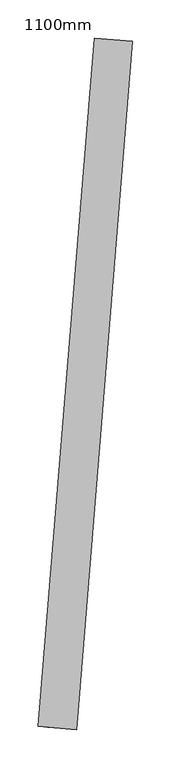
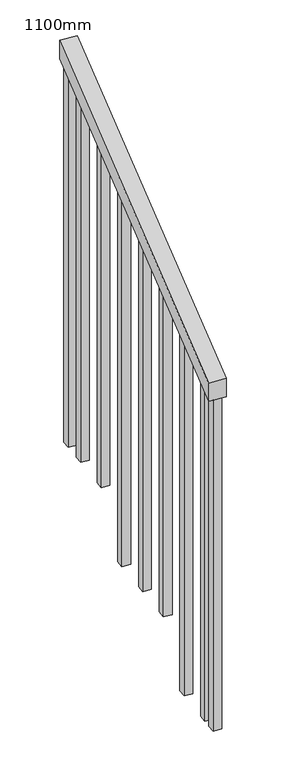
"""IFC4 building model written with IfcOpenShell, lengths in millimetres: railing geometry, 1100mm."""

from ifc_helpers import new_model, si_unit, frame, origin, place, context, project, spatial, polyline, outline, extrude, source, transform, mapped, element, save


def railing_1100mm_52c69cfa(model_context):
    return source(origin(), model_context, "Body", "SweptSolid", [
        extrude(outline(polyline([(28.3333333, -50.0), (0.0, 0.0), (1034.4563789, 0.0), (1062.7897123, -50.0), (28.3333333, -50.0)])), frame((-262546.508015, 3809.3558748, 1212.5302012), z_axis=(-0.9966599631650855, 0.08166344239481105, 0.0), x_axis=(0.07104900665603481, 0.8671162796979888, 0.49301257198565446)), (0.0, 0.0, 1.0), 50.0),
        extrude(outline(polyline([(1262.9468678, 25.0), (1262.9468678, 0.0), (92.9166666, 0.0), (107.0833333, 25.0), (1262.9468678, 25.0)])), frame((-262491.5939245, 4632.6211374, 1772.9468678), z_axis=(-0.9966599631650854, 0.08166344239481103, 0.0), x_axis=(0.0, 0.0, -1.0)), (0.0, 0.0, 1.0), 25.0),
        extrude(outline(polyline([(1192.1135345, 24.9999999), (1192.1135345, 0.0), (92.9166667, 0.0), (107.0833333, 24.9999999), (1192.1135345, 24.9999999)])), frame((-262501.8018548, 4508.038642, 1702.1135345), z_axis=(-0.9966599631650854, 0.08166344239481103, 0.0), x_axis=(0.0, 0.0, -1.0)), (0.0, 0.0, 1.0), 25.0),
        extrude(outline(polyline([(1291.2802012, 24.9999999), (1291.2802012, 0.0), (92.9166667, 0.0), (107.0833334, 24.9999999), (1291.2802012, 24.9999999)])), frame((-262512.0097851, 4383.4561466, 1631.2802012), z_axis=(-0.9966599631650854, 0.08166344239481103, 0.0), x_axis=(0.0, 0.0, -1.0)), (0.0, 0.0, 1.0), 25.0),
        extrude(outline(polyline([(1220.4468678, 24.9999999), (1220.4468678, 0.0), (92.9166666, 0.0), (107.0833333, 24.9999999), (1220.4468678, 24.9999999)])), frame((-262522.2177154, 4258.8736512, 1560.4468678), z_axis=(-0.9966599631650854, 0.08166344239481103, 0.0), x_axis=(0.0, 0.0, -1.0)), (0.0, 0.0, 1.0), 25.0),
        extrude(outline(polyline([(1149.6135345, 24.9999999), (1149.6135345, 0.0), (92.9166667, 0.0), (107.0833333, 24.9999999), (1149.6135345, 24.9999999)])), frame((-262532.4256457, 4134.2911558, 1489.6135345), z_axis=(-0.9966599631650854, 0.08166344239481103, 0.0), x_axis=(0.0, 0.0, -1.0)), (0.0, 0.0, 1.0), 25.0),
        extrude(outline(polyline([(1248.7802012, 25.0), (1248.7802012, 0.0), (92.9166667, 0.0), (107.0833334, 25.0), (1248.7802012, 25.0)])), frame((-262542.633576, 4009.7086605, 1418.7802012), z_axis=(-0.9966599631650854, 0.08166344239481103, 0.0), x_axis=(0.0, 0.0, -1.0)), (0.0, 0.0, 1.0), 25.0),
        extrude(outline(polyline([(1177.9468678, 25.0), (1177.9468678, 0.0), (92.9166666, 0.0), (107.0833333, 25.0), (1177.9468678, 25.0)])), frame((-262552.8415063, 3885.1261651, 1347.9468678), z_axis=(-0.9966599631650854, 0.08166344239481103, 0.0), x_axis=(0.0, 0.0, -1.0)), (0.0, 0.0, 1.0), 25.0),
        extrude(outline(polyline([(1305.4468678, 25.0), (1305.4468678, 0.0), (92.9166666, 0.0), (107.0833333, 25.0), (1305.4468678, 25.0)])), frame((-262485.4691664, 4707.3706347, 1815.4468678), z_axis=(-0.9966599631650854, 0.08166344239481103, 0.0), x_axis=(0.0, 0.0, -1.0)), (0.0, 0.0, 1.0), 25.0),
        extrude(outline(polyline([(1149.6135345, 25.0), (1149.6135345, 0.0), (92.9166667, 0.0), (107.0833333, 25.0), (1149.6135345, 25.0)])), frame((-262556.9246784, 3835.2931669, 1319.6135345), z_axis=(-0.9966599631650854, 0.08166344239481103, 0.0), x_axis=(0.0, 0.0, -1.0)), (0.0, 0.0, 1.0), 25.0),
    ])


if __name__ == "__main__":
    model = new_model("IFC4")
    model_context = context("Model", 3, world=origin())
    ifc_project = project(units=[si_unit("LENGTHUNIT", "METRE", prefix="MILLI")], contexts=[model_context])
    site = spatial("IfcSite", under=ifc_project)
    building = spatial("IfcBuilding", under=site)
    placement = place(None, origin())
    railing_1100mm_shape = railing_1100mm_52c69cfa(model_context)
    element("IfcRailing", 1, ObjectType="1100mm", at=placement, inside=building, context=model_context, shape_type="MappedRepresentation", body=[
        mapped(railing_1100mm_shape, transform((0.0, 0.0, 0.0), x_axis=(1.0, 0.0, 0.0), y_axis=(0.0, 1.0, 0.0), z_axis=(0.0, 0.0, 1.0))),
    ])
    save(model, "model.ifc")
